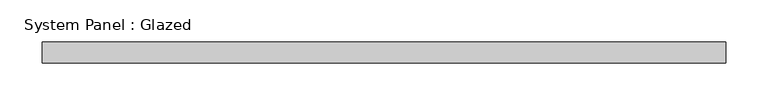
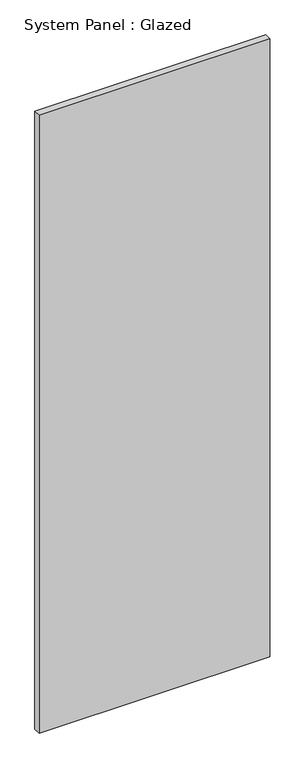
"""IFC4 building model written with IfcOpenShell, lengths in millimetres: plate geometry, System Panel : Glazed."""

from ifc_helpers import new_model, si_unit, origin, origin_with_axes, place, context, project, spatial, polyline, outline, extrude, source, transform, mapped, element, save


def system_panel_glazed_9d5443f2(model_context):
    return source(origin(), model_context, "Body", "SweptSolid", [
        extrude(outline(polyline([(406.6721298, -49.5), (-406.6721298, -49.5), (-406.6721298, -24.5), (406.6721298, -24.5), (406.6721298, -49.5)])), origin_with_axes(), (0.0, 0.0, 1.0), 2300.0),
    ])


if __name__ == "__main__":
    model = new_model("IFC4")
    model_context = context("Model", 3, world=origin())
    ifc_project = project(units=[si_unit("LENGTHUNIT", "METRE", prefix="MILLI")], contexts=[model_context])
    site = spatial("IfcSite", under=ifc_project)
    building = spatial("IfcBuilding", under=site)
    placement = place(None, origin())
    system_panel_glazed_shape = system_panel_glazed_9d5443f2(model_context)
    element("IfcPlate", 1, ObjectType="System Panel : Glazed", at=placement, inside=building, context=model_context, shape_type="MappedRepresentation", body=[
        mapped(system_panel_glazed_shape, transform((0.0, 0.0, 0.0), x_axis=(1.0, 0.0, 0.0), y_axis=(0.0, 1.0, 0.0), z_axis=(0.0, 0.0, 1.0))),
    ])
    save(model, "model.ifc")
